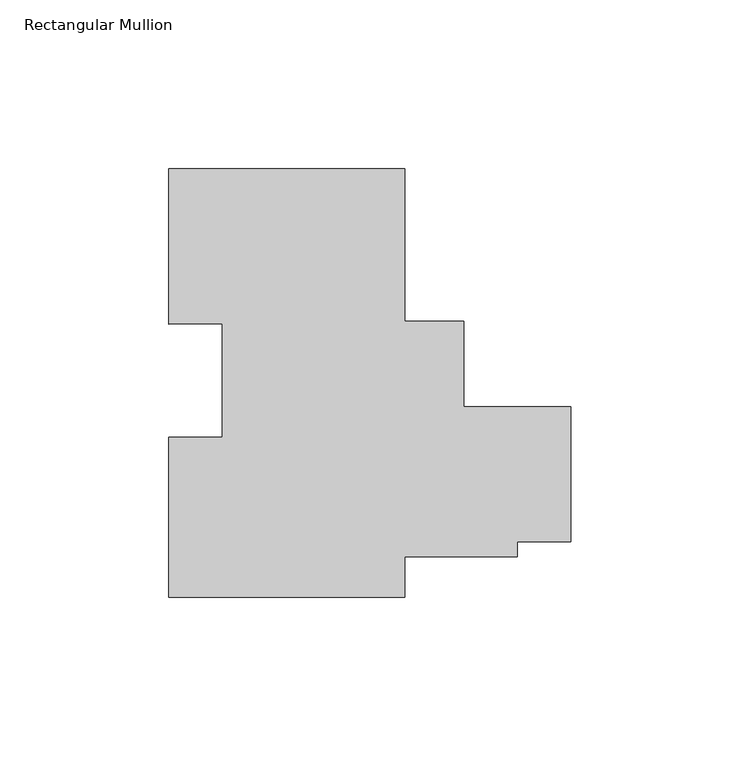
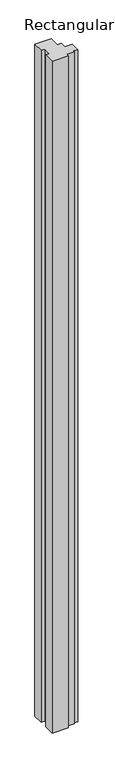
"""IFC4 building model written with IfcOpenShell, lengths in millimetres: member geometry, Rectangular Mullion."""

from ifc_helpers import new_model, si_unit, frame, origin, place, context, project, spatial, polyline, outline, extrude, source, transform, mapped, element, save


def rectangular_mullion_a86921b0(model_context):
    return source(origin(), model_context, "Body", "SweptSolid", [
        extrude(outline(polyline([(-49.2233693, 63.5), (-49.2233693, 18.3262954), (-31.74817, 18.3262954), (-31.74817, -7.0737046), (0.0, -7.0737046), (0.0, -47.0706822), (-15.8740905, -47.0706822), (-15.8740905, -51.5156822), (-49.22337, -51.5156822), (-49.22337, -63.5), (-119.1656857, -63.5), (-119.1656857, -16.0401), (-103.2906857, -16.0401), (-103.2906857, 17.5847121), (-119.1656857, 17.3906629), (-119.1656857, 63.5), (-49.2233693, 63.5)])), frame((0.0, 0.0, -3048.0), z_axis=(0.0, 0.0, 1.0), x_axis=(1.0, 0.0, 0.0)), (0.0, 0.0, 1.0), 3048.0),
    ])


if __name__ == "__main__":
    model = new_model("IFC4")
    model_context = context("Model", 3, world=origin())
    ifc_project = project(units=[si_unit("LENGTHUNIT", "METRE", prefix="MILLI")], contexts=[model_context])
    site = spatial("IfcSite", under=ifc_project)
    building = spatial("IfcBuilding", under=site)
    placement = place(None, origin())
    rectangular_mullion_shape = rectangular_mullion_a86921b0(model_context)
    element("IfcMember", 1, ObjectType="Rectangular Mullion", at=placement, inside=building, context=model_context, shape_type="MappedRepresentation", body=[
        mapped(rectangular_mullion_shape, transform((0.0, 0.0, 0.0), x_axis=(1.0, 0.0, 0.0), y_axis=(0.0, 1.0, 0.0), z_axis=(0.0, 0.0, 1.0))),
    ])
    save(model, "model.ifc")
